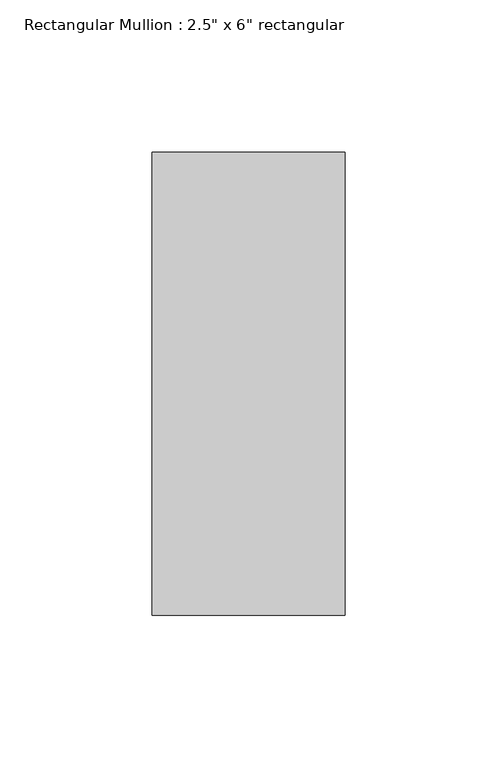
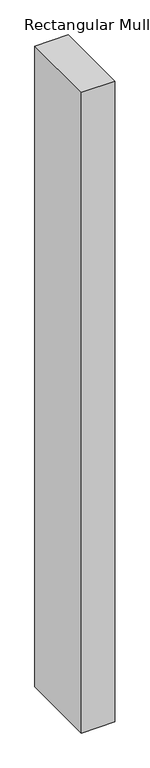
"""IFC4 building model written with IfcOpenShell, lengths in millimetres: member geometry."""

from ifc_helpers import new_model, si_unit, frame, origin, place, context, project, spatial, polyline, outline, extrude, source, transform, mapped, element, save


def member_31f0209a(model_context):
    return source(origin(), model_context, "Body", "SweptSolid", [
        extrude(outline(polyline([(0.0, 60.325), (0.0, -92.075), (-63.5, -92.075), (-63.5, 60.325), (0.0, 60.325)])), frame((0.0, 0.0, -1282.7), z_axis=(0.0, 0.0, 1.0), x_axis=(1.0, 0.0, 0.0)), (0.0, 0.0, 1.0), 1282.7),
    ])


if __name__ == "__main__":
    model = new_model("IFC4")
    model_context = context("Model", 3, world=origin())
    ifc_project = project(units=[si_unit("LENGTHUNIT", "METRE", prefix="MILLI")], contexts=[model_context])
    site = spatial("IfcSite", under=ifc_project)
    building = spatial("IfcBuilding", under=site)
    placement = place(None, origin())
    member_shape = member_31f0209a(model_context)
    element("IfcMember", 1, ObjectType="Rectangular Mullion : 2.5\" x 6\" rectangular", at=placement, inside=building, context=model_context, shape_type="MappedRepresentation", body=[
        mapped(member_shape, transform((0.0, 0.0, 0.0), x_axis=(1.0, 0.0, 0.0), y_axis=(0.0, 1.0, 0.0), z_axis=(0.0, 0.0, 1.0))),
    ])
    save(model, "model.ifc")
